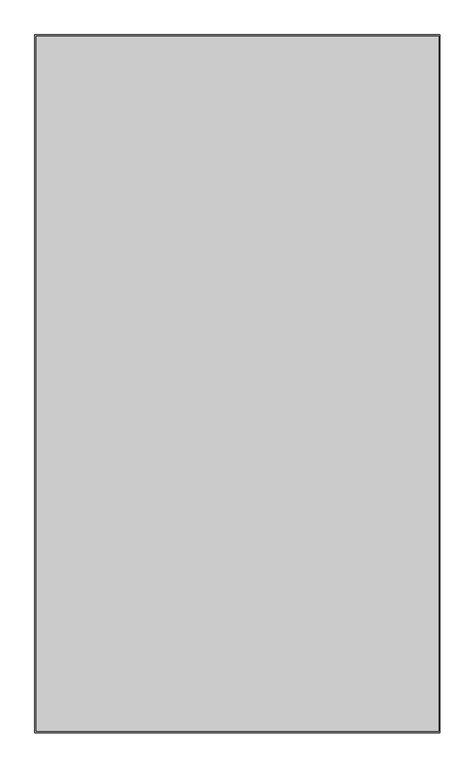
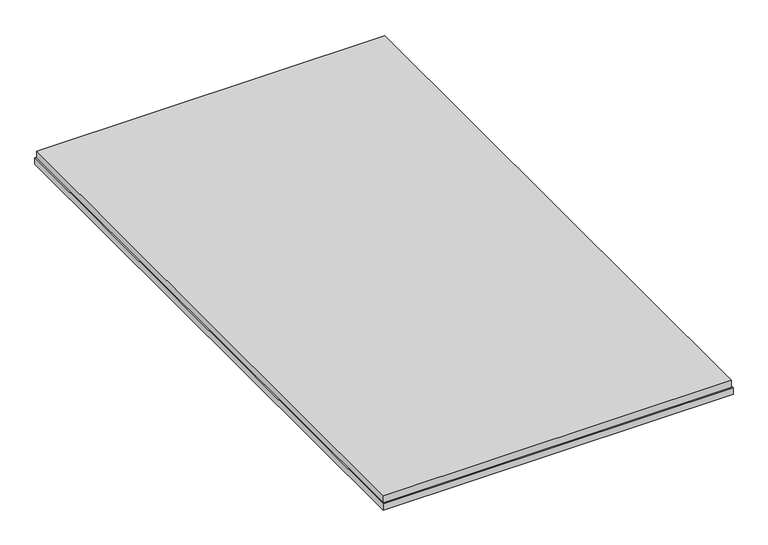
"""IFC4 building model written with IfcOpenShell, lengths in millimetres: proxy geometry."""

from ifc_helpers import new_model, si_unit, frame, origin, place, context, project, spatial, polyline, outline, extrude, source, transform, mapped, element, save


def generic_models_98012858(model_context):
    return source(origin(), model_context, "Body", "SweptSolid", [
        extrude(outline(polyline([(1308.5, -69.0), (1308.5, -2281.0), (27.5, -2281.0), (27.5, -69.0), (1308.5, -69.0)])), frame((0.0, 0.0, -43.0), z_axis=(0.0, 0.0, 1.0), x_axis=(1.0, 0.0, 0.0)), (0.0, 0.0, 1.0), 27.0),
        extrude(outline(polyline([(23.5, -65.0), (1312.5, -65.0), (1312.5, -2285.0), (23.5, -2285.0), (23.5, -65.0)]), holes=[polyline([(1294.5, -83.0), (41.5, -83.0), (41.5, -2267.0), (1294.5, -2267.0), (1294.5, -83.0)])]), frame((0.0, 0.0, -68.0), z_axis=(0.0, 0.0, 1.0), x_axis=(1.0, 0.0, 0.0)), (0.0, 0.0, 1.0), 25.0),
    ])


if __name__ == "__main__":
    model = new_model("IFC4")
    model_context = context("Model", 3, world=origin())
    ifc_project = project(units=[si_unit("LENGTHUNIT", "METRE", prefix="MILLI")], contexts=[model_context])
    site = spatial("IfcSite", under=ifc_project)
    building = spatial("IfcBuilding", under=site)
    placement = place(None, origin())
    generic_models_shape = generic_models_98012858(model_context)
    element("IfcBuildingElementProxy", 1, Name="Generic Models", at=placement, inside=building, context=model_context, shape_type="MappedRepresentation", body=[
        mapped(generic_models_shape, transform((0.0, 0.0, 0.0), x_axis=(1.0, 0.0, 0.0), y_axis=(0.0, 1.0, 0.0), z_axis=(0.0, 0.0, 1.0))),
    ])
    save(model, "model.ifc")
